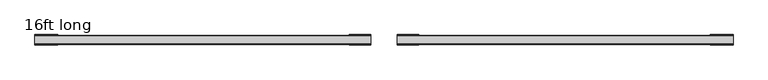
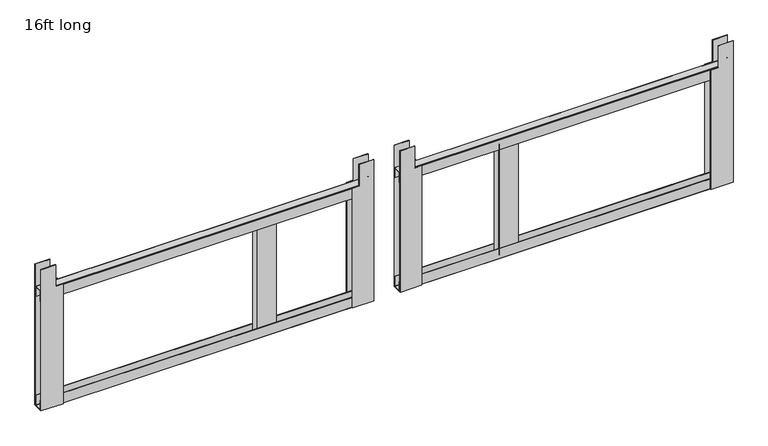
"""IFC4 building model written with IfcOpenShell, lengths in millimetres: furniture geometry, 16ft long."""

from ifc_helpers import new_model, si_unit, point, frame, frame_2d, origin, place, context, project, spatial, polyline, circle_curve, trimmed, segment, composite_curve, outline, extrude, source, transform, mapped, element, save


def furniture_16ft_long_78aefbae(model_context):
    return source(origin(), model_context, "Body", "SweptSolid", [
        extrude(outline(polyline([(1949.3542915, 44.45), (1442.0654915, 44.45), (1442.0654915, 117.4496), (1871.3254915, 117.4496), (1871.3254915, 94.4626), (1949.3542915, 94.4626), (1949.3542915, 44.45)])), frame((0.0, 16.1917968, 0.0), z_axis=(0.0, 1.0, 0.0), x_axis=(0.0, 0.0, 1.0)), (0.0, 0.0, 1.0), 1.5199994),
        extrude(outline(polyline([(1949.3542915, 44.45), (1442.0654915, 44.45), (1442.0654915, 117.4496), (1871.3254915, 117.4496), (1871.3254915, 94.4626), (1949.3542915, 94.4626), (1949.3542915, 44.45)])), frame((0.0, -17.6162996, 0.0), z_axis=(0.0, 1.0, 0.0), x_axis=(0.0, 0.0, 1.0)), (0.0, 0.0, 1.0), 1.5199994),
        extrude(outline(polyline([(1949.3542915, 1174.75), (1949.3542915, 1124.7374), (1871.3254915, 1124.7374), (1871.3254915, 1098.55), (1442.0654915, 1098.55), (1442.0654915, 1174.75), (1949.3542915, 1174.75)])), frame((0.0, 16.1917968, 0.0), z_axis=(0.0, 1.0, 0.0), x_axis=(0.0, 0.0, 1.0)), (0.0, 0.0, 1.0), 1.5199994),
        extrude(outline(polyline([(1949.3542915, 1174.75), (1949.3542915, 1124.7374), (1871.3254915, 1124.7374), (1871.3254915, 1098.55), (1442.0654915, 1098.55), (1442.0654915, 1174.75), (1949.3542915, 1174.75)])), frame((0.0, -17.6162996, 0.0), z_axis=(0.0, 1.0, 0.0), x_axis=(0.0, 0.0, 1.0)), (0.0, 0.0, 1.0), 1.5199994),
        extrude(outline(polyline([(382.2572875, 14.0407025), (447.2559, 14.0407025), (447.2559, 12.5207031), (382.2572875, 12.5207031), (382.2572875, 14.0407025)])), frame((0.0, 0.0, 1456.1140775), z_axis=(0.0, 0.0, 1.0), x_axis=(1.0, 0.0, 0.0)), (0.0, 0.0, 1.0), 397.9624124),
        extrude(outline(polyline([(447.2559, -14.0444246), (382.2572875, -14.0444246), (382.2572875, -12.5244252), (447.2559, -12.5244252), (447.2559, -14.0444246)])), frame((0.0, 0.0, 1456.1140775), z_axis=(0.0, 0.0, 1.0), x_axis=(1.0, 0.0, 0.0)), (0.0, 0.0, 1.0), 397.9624124),
        extrude(outline(composite_curve([segment(polyline([(-15.5954995, 1479.0321189), (-14.0755001, 1479.0321189), (-14.0755001, 1444.5178774)]), True, "CONTINUOUS"), segment(trimmed(circle_curve(frame_2d((-13.0206916, 1444.5178774)), 1.0548085), [point((-14.0755001, 1444.5178774))], [point((-13.0206916, 1443.4630689))], True, "CARTESIAN"), True, "CONTINUOUS"), segment(polyline([(-13.0206916, 1443.4630689), (13.1161882, 1443.4630689)]), True, "CONTINUOUS"), segment(trimmed(circle_curve(frame_2d((13.1161882, 1444.4223807)), 0.9593119), [point((13.1161882, 1443.4630689))], [point((14.0755001, 1444.4223807))], True, "CARTESIAN"), True, "CONTINUOUS"), segment(polyline([(14.0755001, 1444.4223807), (14.0755001, 1478.8348063), (15.5956994, 1478.8348063), (15.5956994, 1444.2255503), (14.9267517, 1442.6118127), (13.3134997, 1441.9430672), (-13.3134997, 1441.9430672), (-14.9267529, 1442.6118127), (-15.5954995, 1444.2250682), (-15.5954995, 1479.0321189)]), True, "CONTINUOUS")], self_intersect=False)), frame((44.45, 0.0, 0.0), z_axis=(1.0, 0.0, 0.0), x_axis=(0.0, 1.0, 0.0)), (0.0, 0.0, 1.0), 1130.3),
        extrude(outline(composite_curve([segment(polyline([(-15.5954995, 1834.2374937), (-15.5954995, 1869.0445444), (-14.9267529, 1870.6577999), (-13.3134997, 1871.3265454), (13.3134997, 1871.3265454), (14.9267517, 1870.6577999), (15.5956994, 1869.0440623), (15.5956994, 1834.4348063), (14.0755001, 1834.4348063), (14.0755001, 1868.8472319)]), True, "CONTINUOUS"), segment(trimmed(circle_curve(frame_2d((13.1161882, 1868.8472319)), 0.9593119), [point((14.0755001, 1868.8472319))], [point((13.1161882, 1869.8065437))], True, "CARTESIAN"), True, "CONTINUOUS"), segment(polyline([(13.1161882, 1869.8065437), (-13.0206916, 1869.8065437)]), True, "CONTINUOUS"), segment(trimmed(circle_curve(frame_2d((-13.0206916, 1868.7517352)), 1.0548085), [point((-13.0206916, 1869.8065437))], [point((-14.0755001, 1868.7517352))], True, "CARTESIAN"), True, "CONTINUOUS"), segment(polyline([(-14.0755001, 1868.7517352), (-14.0755001, 1834.2374937), (-15.5954995, 1834.2374937)]), True, "CONTINUOUS")], self_intersect=False)), frame((44.45, 0.0, 0.0), z_axis=(1.0, 0.0, 0.0), x_axis=(0.0, 1.0, 0.0)), (0.0, 0.0, 1.0), 1130.3),
        extrude(outline(composite_curve([segment(polyline([(-15.5954995, 1479.0321189), (-14.0755001, 1479.0321189), (-14.0755001, 1444.5178774)]), True, "CONTINUOUS"), segment(trimmed(circle_curve(frame_2d((-13.0206916, 1444.5178774)), 1.0548085), [point((-14.0755001, 1444.5178774))], [point((-13.0206916, 1443.4630689))], True, "CARTESIAN"), True, "CONTINUOUS"), segment(polyline([(-13.0206916, 1443.4630689), (13.1161882, 1443.4630689)]), True, "CONTINUOUS"), segment(trimmed(circle_curve(frame_2d((13.1161882, 1444.4223807)), 0.9593119), [point((13.1161882, 1443.4630689))], [point((14.0755001, 1444.4223807))], True, "CARTESIAN"), True, "CONTINUOUS"), segment(polyline([(14.0755001, 1444.4223807), (14.0755001, 1478.8348063), (15.5956994, 1478.8348063), (15.5956994, 1444.2255503), (14.9267517, 1442.6118127), (13.3134997, 1441.9430672), (-13.3134997, 1441.9430672), (-14.9267529, 1442.6118127), (-15.5954995, 1444.2250682), (-15.5954995, 1479.0321189)]), True, "CONTINUOUS")], self_intersect=False)), frame((-1174.75, 0.0, 0.0), z_axis=(1.0, 0.0, 0.0), x_axis=(0.0, 1.0, 0.0)), (0.0, 0.0, 1.0), 1130.3),
        extrude(outline(polyline([(-438.0594169, 14.0407025), (-373.0608044, 14.0407025), (-373.0608044, 12.5207031), (-438.0594169, 12.5207031), (-438.0594169, 14.0407025)])), frame((0.0, 0.0, 1456.1140775), z_axis=(0.0, 0.0, 1.0), x_axis=(1.0, 0.0, 0.0)), (0.0, 0.0, 1.0), 397.469342),
        extrude(outline(polyline([(-373.0608044, -14.0444246), (-438.0594169, -14.0444246), (-438.0594169, -12.5244252), (-373.0608044, -12.5244252), (-373.0608044, -14.0444246)])), frame((0.0, 0.0, 1456.1140775), z_axis=(0.0, 0.0, 1.0), x_axis=(1.0, 0.0, 0.0)), (0.0, 0.0, 1.0), 397.469342),
        extrude(outline(polyline([(1949.3542915, -44.45), (1949.3542915, -94.4626), (1871.3254915, -94.4626), (1871.3254915, -117.4496), (1442.0654915, -117.4496), (1442.0654915, -44.45), (1949.3542915, -44.45)])), frame((0.0, 16.1917968, 0.0), z_axis=(0.0, 1.0, 0.0), x_axis=(0.0, 0.0, 1.0)), (0.0, 0.0, 1.0), 1.5199994),
        extrude(outline(polyline([(1949.3542915, -1174.75), (1442.0654915, -1174.75), (1442.0654915, -1098.55), (1871.3254915, -1098.55), (1871.3254915, -1124.7374), (1949.3542915, -1124.7374), (1949.3542915, -1174.75)])), frame((0.0, 16.1917968, 0.0), z_axis=(0.0, 1.0, 0.0), x_axis=(0.0, 0.0, 1.0)), (0.0, 0.0, 1.0), 1.5199994),
        extrude(outline(polyline([(1949.3542915, -1174.75), (1442.0654915, -1174.75), (1442.0654915, -1098.55), (1871.3254915, -1098.55), (1871.3254915, -1124.7374), (1949.3542915, -1124.7374), (1949.3542915, -1174.75)])), frame((0.0, -17.6162996, 0.0), z_axis=(0.0, 1.0, 0.0), x_axis=(0.0, 0.0, 1.0)), (0.0, 0.0, 1.0), 1.5199994),
        extrude(outline(polyline([(1949.3542915, -44.45), (1949.3542915, -94.4626), (1871.3254915, -94.4626), (1871.3254915, -117.4496), (1442.0654915, -117.4496), (1442.0654915, -44.45), (1949.3542915, -44.45)])), frame((0.0, -17.6162996, 0.0), z_axis=(0.0, 1.0, 0.0), x_axis=(0.0, 0.0, 1.0)), (0.0, 0.0, 1.0), 1.5199994),
        extrude(outline(composite_curve([segment(polyline([(-15.5954995, 1834.2374937), (-15.5954995, 1869.0445444), (-14.9267529, 1870.6577999), (-13.3134997, 1871.3265454), (13.3134997, 1871.3265454), (14.9267517, 1870.6577999), (15.5956994, 1869.0440623), (15.5956994, 1834.4348063), (14.0755001, 1834.4348063), (14.0755001, 1868.8472319)]), True, "CONTINUOUS"), segment(trimmed(circle_curve(frame_2d((13.1161882, 1868.8472319)), 0.9593119), [point((14.0755001, 1868.8472319))], [point((13.1161882, 1869.8065437))], True, "CARTESIAN"), True, "CONTINUOUS"), segment(polyline([(13.1161882, 1869.8065437), (-13.0206916, 1869.8065437)]), True, "CONTINUOUS"), segment(trimmed(circle_curve(frame_2d((-13.0206916, 1868.7517352)), 1.0548085), [point((-13.0206916, 1869.8065437))], [point((-14.0755001, 1868.7517352))], True, "CARTESIAN"), True, "CONTINUOUS"), segment(polyline([(-14.0755001, 1868.7517352), (-14.0755001, 1834.2374937), (-15.5954995, 1834.2374937)]), True, "CONTINUOUS")], self_intersect=False)), frame((-1174.75, 0.0, 0.0), z_axis=(1.0, 0.0, 0.0), x_axis=(0.0, 1.0, 0.0)), (0.0, 0.0, 1.0), 1130.3),
    ])


if __name__ == "__main__":
    model = new_model("IFC4")
    model_context = context("Model", 3, world=origin())
    ifc_project = project(units=[si_unit("LENGTHUNIT", "METRE", prefix="MILLI")], contexts=[model_context])
    site = spatial("IfcSite", under=ifc_project)
    building = spatial("IfcBuilding", under=site)
    placement = place(None, origin())
    furniture_16ft_long_shape = furniture_16ft_long_78aefbae(model_context)
    element("IfcFurniture", 1, ObjectType="16ft long", at=placement, inside=building, context=model_context, shape_type="MappedRepresentation", body=[
        mapped(furniture_16ft_long_shape, transform((0.0, 0.0, 0.0), x_axis=(1.0, 0.0, 0.0), y_axis=(0.0, 1.0, 0.0), z_axis=(0.0, 0.0, 1.0))),
    ])
    save(model, "model.ifc")
